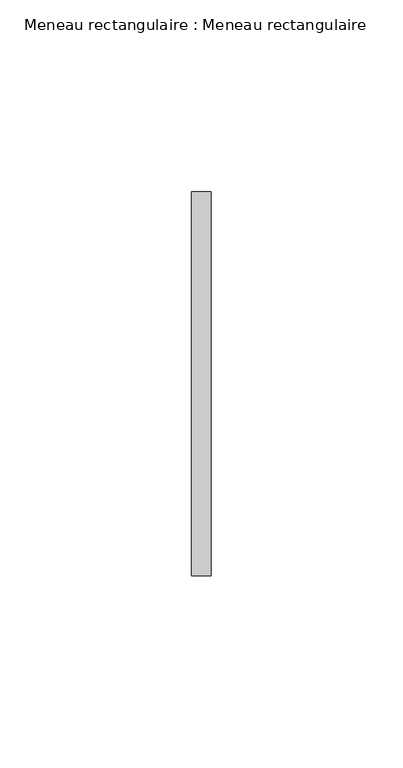
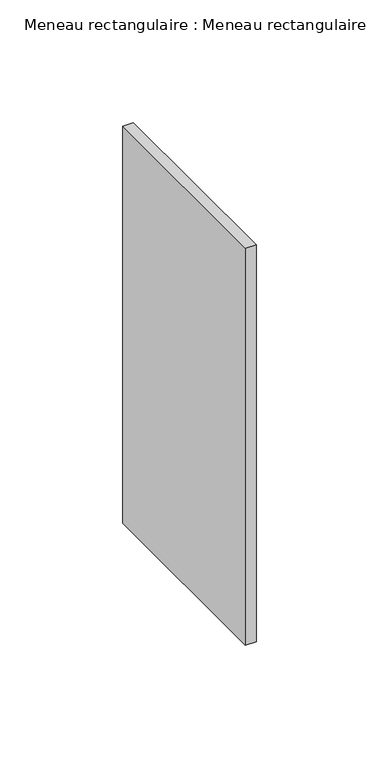
"""IFC4 building model written with IfcOpenShell, lengths in millimetres: member geometry, Meneau rectangulaire : Meneau rectangulaire."""

import ifcopenshell
import ifcopenshell.guid

model = None  # the IFC model being written
_history = None  # IfcOwnerHistory: only IFC2X3 demands one
_inside = {}  # id of a spatial element -> (the spatial element, [elements in it])
_under = {}  # id of a project, library or spatial element -> (it, [spatial elements below it])
_declared = {}  # id of a project -> (the project, [libraries it declares])
_typed = {}  # id of a type object -> (the type object, [elements of that type])
_made_of = {}  # id of a material, layer set ... -> (it, [elements and type objects made of it])


def new_model(schema):
    """Start an empty IFC model of exactly this schema.

    Asked for "IFC4X3", IfcOpenShell would pick the latest addendum, in which some entities
    have other attributes; the version numbers below select the first issue.
    IFC2X3 requires an IfcOwnerHistory on every rooted entity: one is made here for all.
    """
    global model, _history
    if schema == "IFC4X3":
        model = ifcopenshell.file(schema_version=(4, 3, 0, 0))
    else:
        model = ifcopenshell.file(schema=schema)
    _inside.clear()
    _under.clear()
    _declared.clear()
    _typed.clear()
    _made_of.clear()
    _history = None
    if model.schema == "IFC2X3":
        org = make("IfcOrganization", Name="unknown")
        user = make(
            "IfcPersonAndOrganization",
            ThePerson=make("IfcPerson", FamilyName="unknown"),
            TheOrganization=org,
        )
        app = make(
            "IfcApplication",
            ApplicationDeveloper=org,
            Version="unknown",
            ApplicationFullName="unknown",
            ApplicationIdentifier="unknown",
        )
        _history = make(
            "IfcOwnerHistory",
            OwningUser=user,
            OwningApplication=app,
            ChangeAction="ADDED",
            CreationDate=0,
        )
    return model


def make(cls, **values):
    """One entity of the class cls with the attributes given. An attribute that is None is left unset."""
    return model.create_entity(
        cls, **{name: value for name, value in values.items() if value is not None}
    )


def rooted(cls, **values):
    """An entity with a GlobalId (a new one), such as an element, a storey or a relation."""
    return make(cls, GlobalId=ifcopenshell.guid.new(), OwnerHistory=_history, **values)


def si_unit(unit_type, name, prefix=None):
    """IfcSIUnit, for example si_unit("LENGTHUNIT", "METRE", prefix="MILLI")."""
    return make("IfcSIUnit", UnitType=unit_type, Prefix=prefix, Name=name)


def assignment(units):
    """IfcUnitAssignment: the units of a project."""
    return None if units is None else make("IfcUnitAssignment", Units=units)


def point(xyz):
    """IfcCartesianPoint."""
    return None if xyz is None else make("IfcCartesianPoint", Coordinates=xyz)


def direction(xyz):
    """IfcDirection."""
    return None if xyz is None else make("IfcDirection", DirectionRatios=xyz)


def frame(location, z_axis=None, x_axis=None):
    """IfcAxis2Placement3D, a coordinate frame: its origin and axes. An axis left out is left unset."""
    return make(
        "IfcAxis2Placement3D",
        Location=point(location),
        Axis=direction(z_axis),
        RefDirection=direction(x_axis),
    )


def origin():
    """The frame at (0, 0, 0) with its axes left unset."""
    return frame((0.0, 0.0, 0.0))


def place(relative_to, where):
    """IfcLocalPlacement: puts the frame where relative to a parent placement (None: the world)."""
    return make(
        "IfcLocalPlacement", PlacementRelTo=relative_to, RelativePlacement=where
    )


def context(
    kind, dimensions, precision=None, world=None, true_north=None, identifier=None
):
    """IfcGeometricRepresentationContext, for example the 3D "Model" context."""
    return make(
        "IfcGeometricRepresentationContext",
        ContextIdentifier=identifier,
        ContextType=kind,
        CoordinateSpaceDimension=dimensions,
        Precision=precision,
        WorldCoordinateSystem=world,
        TrueNorth=true_north,
    )


def project(units=None, contexts=None):
    """IfcProject with its units and contexts."""
    return rooted(
        "IfcProject",
        Name="project",
        RepresentationContexts=contexts,
        UnitsInContext=assignment(units),
    )


def spatial(cls, under=None, at=None, **own):
    """A site, building, storey or space (cls), placed at a placement, below another one or the project."""
    s = rooted(cls, ObjectPlacement=at, **own)
    if under is not None:
        _under.setdefault(under.id(), (under, []))[1].append(s)
    return s


def polyline(points):
    """IfcPolyline through the points."""
    return make("IfcPolyline", Points=[point(p) for p in points])


def outline(outer, holes=None, kind="AREA"):
    """IfcArbitraryClosedProfileDef: a profile drawn as a closed curve; with holes, ...WithVoids."""
    if holes is None:
        return make("IfcArbitraryClosedProfileDef", ProfileType=kind, OuterCurve=outer)
    return make(
        "IfcArbitraryProfileDefWithVoids",
        ProfileType=kind,
        OuterCurve=outer,
        InnerCurves=holes,
    )


def extrude(swept, where, along, depth):
    """IfcExtrudedAreaSolid: the profile swept, set in the frame where, extruded along a direction by depth."""
    return make(
        "IfcExtrudedAreaSolid",
        SweptArea=swept,
        Position=where,
        ExtrudedDirection=direction(along),
        Depth=depth,
    )


def shape(context_of_items, identifier, shape_type, items):
    """IfcShapeRepresentation: the items that make up one representation, for example the "Body"."""
    return make(
        "IfcShapeRepresentation",
        ContextOfItems=context_of_items,
        RepresentationIdentifier=identifier,
        RepresentationType=shape_type,
        Items=items,
    )


def source(mapping_origin, context_of_items, identifier, shape_type, items):
    """IfcRepresentationMap: a shape defined once, which mapped items show again and again."""
    return make(
        "IfcRepresentationMap",
        MappingOrigin=mapping_origin,
        MappedRepresentation=shape(context_of_items, identifier, shape_type, items),
    )


def transform(
    local_origin,
    x_axis=None,
    y_axis=None,
    z_axis=None,
    scale=None,
    scale2=None,
    scale3=None,
    uniform=True,
):
    """IfcCartesianTransformationOperator3D, or its non-uniform kind. x_axis, y_axis, z_axis: its Axis1, 2, 3."""
    if uniform:
        return make(
            "IfcCartesianTransformationOperator3D",
            Axis1=direction(x_axis),
            Axis2=direction(y_axis),
            LocalOrigin=point(local_origin),
            Scale=scale,
            Axis3=direction(z_axis),
        )
    return make(
        "IfcCartesianTransformationOperator3DnonUniform",
        Axis1=direction(x_axis),
        Axis2=direction(y_axis),
        LocalOrigin=point(local_origin),
        Scale=scale,
        Axis3=direction(z_axis),
        Scale2=scale2,
        Scale3=scale3,
    )


def mapped(mapping_source, mapping_target):
    """IfcMappedItem: shows the shape of a source again, moved by a transform."""
    return make(
        "IfcMappedItem", MappingSource=mapping_source, MappingTarget=mapping_target
    )


def made_of(thing, what):
    """Note that an element or type object is made of a material, layer set ...; save() writes the relation."""
    if what is not None:
        _made_of.setdefault(what.id(), (what, []))[1].append(thing)
    return thing


def element(
    cls,
    number,
    at=None,
    inside=None,
    cuts=None,
    type_object=None,
    material=None,
    context=None,
    identifier="Body",
    shape_type=None,
    held_by="IfcProductDefinitionShape",
    body=None,
    shapes=None,
    **own,
):
    """One element of the class cls, such as IfcWall. Its Tag is "e" and its number.

    at: its placement. inside: the storey or other place that contains it. cuts: it is an
    opening in that element (IfcRelVoidsElement). A single representation is given by context,
    identifier, shape_type and body (its items); several are given by shapes. held_by: the class
    of the entity that holds the representations. save() writes the other relations.
    """
    e = rooted(cls, Tag="e%d" % number, ObjectPlacement=at, **own)
    if body is not None:
        shapes = [shape(context, identifier, shape_type, body)]
    if shapes is not None:
        e.Representation = make(held_by, Representations=shapes)
    if inside is not None:
        _inside.setdefault(inside.id(), (inside, []))[1].append(e)
    if cuts is not None:
        rooted(
            "IfcRelVoidsElement", RelatingBuildingElement=cuts, RelatedOpeningElement=e
        )
    if type_object is not None:
        _typed.setdefault(type_object.id(), (type_object, []))[1].append(e)
    return made_of(e, material)


def aggregate(whole, parts):
    """IfcRelAggregates: a whole, such as a stair, and the parts it consists of."""
    return rooted("IfcRelAggregates", RelatingObject=whole, RelatedObjects=parts)


def save(model, path):
    """Write the relations noted so far, then the file.

    IfcRelAggregates (storeys below a building ...), IfcRelContainedInSpatialStructure (elements
    in a storey), IfcRelDefinesByType, IfcRelAssociatesMaterial and IfcRelDeclares: one each for
    every whole, place, type object, material and project.
    """
    for whole, parts in _under.values():
        aggregate(whole, parts)
    for where, things in _inside.values():
        rooted(
            "IfcRelContainedInSpatialStructure",
            RelatedElements=things,
            RelatingStructure=where,
        )
    for kind, things in _typed.values():
        rooted("IfcRelDefinesByType", RelatedObjects=things, RelatingType=kind)
    for what, things in _made_of.values():
        rooted("IfcRelAssociatesMaterial", RelatedObjects=things, RelatingMaterial=what)
    for by, libraries in _declared.values():
        rooted("IfcRelDeclares", RelatingContext=by, RelatedDefinitions=libraries)
    model.write(path)


def meneau_rectangulaire_meneau_rectangulaire_c2ded298(model_context):
    return source(origin(), model_context, "Body", "SweptSolid", [
        extrude(outline(polyline([(2.5, 0.0), (-2.5, 0.0), (-2.5, 100.0), (2.5, 100.0), (2.5, 0.0)])), frame((0.0, 0.0, -197.5), z_axis=(0.0, 0.0, 1.0), x_axis=(1.0, 0.0, 0.0)), (0.0, 0.0, 1.0), 197.5),
    ])


if __name__ == "__main__":
    model = new_model("IFC4")
    model_context = context("Model", 3, world=origin())
    ifc_project = project(units=[si_unit("LENGTHUNIT", "METRE", prefix="MILLI")], contexts=[model_context])
    site = spatial("IfcSite", under=ifc_project)
    building = spatial("IfcBuilding", under=site)
    placement = place(None, origin())
    meneau_rectangulaire_meneau_rectangulaire_shape = meneau_rectangulaire_meneau_rectangulaire_c2ded298(model_context)
    element("IfcMember", 1, ObjectType="Meneau rectangulaire : Meneau rectangulaire", at=placement, inside=building, context=model_context, shape_type="MappedRepresentation", body=[
        mapped(meneau_rectangulaire_meneau_rectangulaire_shape, transform((0.0, 0.0, 0.0), x_axis=(1.0, 0.0, 0.0), y_axis=(0.0, 1.0, 0.0), z_axis=(0.0, 0.0, 1.0))),
    ])
    save(model, "model.ifc")
